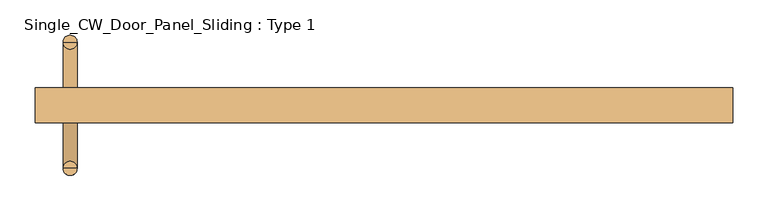
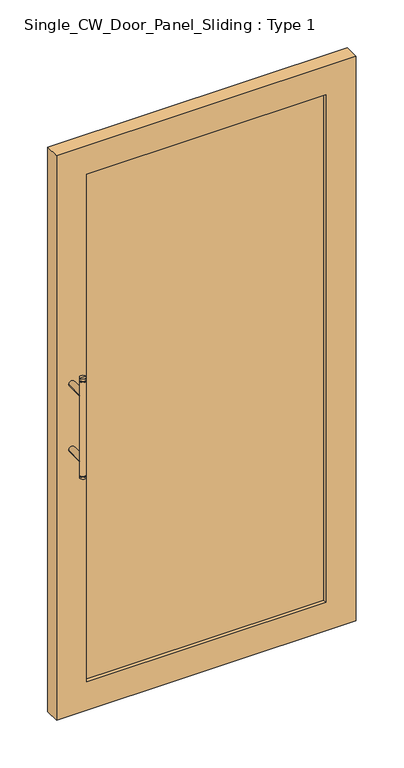
"""IFC4 building model written with IfcOpenShell, lengths in millimetres: door geometry, Single_CW_Door_Panel_Sliding : Type 1."""

from ifc_helpers import new_model, si_unit, point, frame, frame_2d, origin, place, context, project, spatial, polyline, circle_curve, trimmed, segment, composite_curve, outline, extrude, source, transform, mapped, element, save
from ifc_brep_helpers import plane_surface, cylinder_surface, advanced_brep


def single_cw_door_panel_sliding_type_1_7dd6cb1d(model_context):
    return source(origin(), model_context, "Body", "SolidModel", [
        advanced_brep(
        [(-437.5, 20.0, 1219.0), (-457.5, 20.0, 1219.0), (-457.5, 20.0, 1225.0), (-437.5, 20.0, 1225.0), (-455.5323501, 20.0, 1214.7650043), (-439.4676499, 20.0, 1214.7650043), (-439.4676499, 20.0, 1219.0), (-455.5323501, 20.0, 1219.0), (-437.5, 20.0, 1214.7650043), (-457.5, 20.0, 1214.7650043), (-437.5, 20.0, 885.2349957), (-457.5, 20.0, 885.2349957), (-439.4676499, 20.0, 885.2349957), (-455.5323501, 20.0, 885.2349957), (-439.4676499, 20.0, 881.0), (-455.5323501, 20.0, 881.0), (-437.5, 20.0, 881.0), (-457.5, 20.0, 881.0), (-437.5, 20.0, 875.0), (-457.5, 20.0, 875.0), (-447.5, 20.0, 875.0), (-447.5, 20.0, 1225.0)],
        [
            (0, 1, circle_curve(frame((-447.5, 20.0, 1219.0), z_axis=(0.0, 0.0, 1.0), x_axis=(-1.0, 0.0, 0.0)), 10.0)),
            (1, 2),
            (2, 3, circle_curve(frame((-447.5, 20.0, 1225.0), z_axis=(0.0, 0.0, -1.0), x_axis=(-1.0, 0.0, 0.0)), 10.0)),
            (3, 0),
            (4, 5, circle_curve(frame((-447.5, 20.0, 1214.7650043), z_axis=(0.0, 0.0, 1.0), x_axis=(-1.0, 0.0, 0.0)), 8.0323501)),
            (5, 6),
            (6, 7, circle_curve(frame((-447.5, 20.0, 1219.0), z_axis=(0.0, 0.0, -1.0), x_axis=(-1.0, 0.0, 0.0)), 8.0323501)),
            (7, 4),
            (1, 0, circle_curve(frame((-447.5, 20.0, 1219.0), z_axis=(0.0, 0.0, 1.0), x_axis=(-1.0, 0.0, 0.0)), 10.0)),
            (3, 2, circle_curve(frame((-447.5, 20.0, 1225.0), z_axis=(0.0, 0.0, -1.0), x_axis=(-1.0, 0.0, 0.0)), 10.0)),
            (6, 7, circle_curve(frame((-447.5, 20.0, 1219.0), z_axis=(0.0, 0.0, 1.0), x_axis=(-1.0, 0.0, 0.0)), 8.0323501)),
            (7, 1),
            (0, 6),
            (5, 4, circle_curve(frame((-447.5, 20.0, 1214.7650043), z_axis=(0.0, 0.0, 1.0), x_axis=(-1.0, 0.0, 0.0)), 8.0323501)),
            (8, 9, circle_curve(frame((-447.5, 20.0, 1214.7650043), z_axis=(0.0, 0.0, 1.0), x_axis=(-1.0, 0.0, 0.0)), 10.0)),
            (9, 4),
            (5, 8),
            (9, 8, circle_curve(frame((-447.5, 20.0, 1214.7650043), z_axis=(0.0, 0.0, 1.0), x_axis=(-1.0, 0.0, 0.0)), 10.0)),
            (10, 11, circle_curve(frame((-447.5, 20.0, 885.2349957), z_axis=(0.0, 0.0, 1.0), x_axis=(-1.0, 0.0, 0.0)), 10.0)),
            (11, 9),
            (8, 10),
            (11, 10, circle_curve(frame((-447.5, 20.0, 885.2349957), z_axis=(0.0, 0.0, 1.0), x_axis=(-1.0, 0.0, 0.0)), 10.0)),
            (12, 13, circle_curve(frame((-447.5, 20.0, 885.2349957), z_axis=(0.0, 0.0, 1.0), x_axis=(-1.0, 0.0, 0.0)), 8.0323501)),
            (13, 11),
            (10, 12),
            (13, 12, circle_curve(frame((-447.5, 20.0, 885.2349957), z_axis=(0.0, 0.0, 1.0), x_axis=(-1.0, 0.0, 0.0)), 8.0323501)),
            (14, 15, circle_curve(frame((-447.5, 20.0, 881.0), z_axis=(0.0, 0.0, 1.0), x_axis=(-1.0, 0.0, 0.0)), 8.0323501)),
            (15, 13),
            (12, 14),
            (15, 14, circle_curve(frame((-447.5, 20.0, 881.0), z_axis=(0.0, 0.0, 1.0), x_axis=(-1.0, 0.0, 0.0)), 8.0323501)),
            (16, 17, circle_curve(frame((-447.5, 20.0, 881.0), z_axis=(0.0, 0.0, 1.0), x_axis=(-1.0, 0.0, 0.0)), 10.0)),
            (17, 15),
            (14, 16),
            (17, 16, circle_curve(frame((-447.5, 20.0, 881.0), z_axis=(0.0, 0.0, 1.0), x_axis=(-1.0, 0.0, 0.0)), 10.0)),
            (18, 19, circle_curve(frame((-447.5, 20.0, 875.0), z_axis=(0.0, 0.0, 1.0), x_axis=(-1.0, 0.0, 0.0)), 10.0)),
            (19, 17),
            (16, 18),
            (19, 18, circle_curve(frame((-447.5, 20.0, 875.0), z_axis=(0.0, 0.0, 1.0), x_axis=(-1.0, 0.0, 0.0)), 10.0)),
            (20, 19),
            (18, 20),
            (2, 21),
            (21, 3),
        ],
        [
            cylinder_surface(frame((-447.5, 20.0, 850.0), z_axis=(0.0, 0.0, -1.0), x_axis=(-1.0, 0.0, 0.0)), 10.0),
            cylinder_surface(frame((-447.5, 20.0, 850.0), z_axis=(0.0, 0.0, -1.0), x_axis=(-1.0, 0.0, 0.0)), 8.0323501),
            plane_surface(frame((-447.5, 20.0, 1219.0), z_axis=(0.0, 0.0, -1.0), x_axis=(-1.0, 0.0, 0.0))),
            plane_surface(frame((-447.5, 20.0, 1214.7650043), z_axis=(0.0, 0.0, 1.0), x_axis=(-1.0, 0.0, 0.0))),
            plane_surface(frame((-447.5, 20.0, 885.2349957), z_axis=(0.0, 0.0, -1.0), x_axis=(-1.0, 0.0, 0.0))),
            plane_surface(frame((-447.5, 20.0, 881.0), z_axis=(0.0, 0.0, 1.0), x_axis=(-1.0, 0.0, 0.0))),
            plane_surface(frame((-447.5, 20.0, 875.0), z_axis=(0.0, 0.0, -1.0), x_axis=(-1.0, 0.0, 0.0))),
            plane_surface(frame((-447.5, 20.0, 1225.0), z_axis=(0.0, 0.0, 1.0), x_axis=(-1.0, 0.0, 0.0))),
        ],
        [
            (0, [[1, 2, 3, 4]]),
            (1, [[5, 6, 7, 8]]),
            (0, [[9, -4, 10, -2]]),
            (2, [[11, 12, -1, 13]]),
            (2, [[-7, -13, -9, -12]]),
            (1, [[14, -8, -11, -6]]),
            (3, [[15, 16, -14, 17]]),
            (3, [[18, -17, -5, -16]]),
            (0, [[19, 20, -15, 21]]),
            (0, [[22, -21, -18, -20]]),
            (4, [[23, 24, -19, 25]]),
            (4, [[26, -25, -22, -24]]),
            (1, [[27, 28, -23, 29]]),
            (1, [[30, -29, -26, -28]]),
            (5, [[31, 32, -27, 33]]),
            (5, [[34, -33, -30, -32]]),
            (0, [[35, 36, -31, 37]]),
            (0, [[38, -37, -34, -36]]),
            (6, [[39, -35, 40]]),
            (6, [[-40, -38, -39]]),
            (7, [[-3, 41, 42]]),
            (7, [[-10, -42, -41]]),
        ],
    ),
        extrude(outline(composite_curve([segment(trimmed(circle_curve(frame_2d((935.0, -447.5)), 10.0), [point((935.0, -457.5))], [point((935.0, -437.5))], False, "CARTESIAN"), True, "CONTINUOUS"), segment(trimmed(circle_curve(frame_2d((935.0, -447.5)), 10.0), [point((935.0, -437.5))], [point((935.0, -457.5))], False, "CARTESIAN"), True, "CONTINUOUS")], self_intersect=False)), frame((0.0, -45.0, 0.0), z_axis=(0.0, 1.0, 0.0), x_axis=(0.0, 0.0, 1.0)), (0.0, 0.0, 1.0), 65.0),
        extrude(outline(composite_curve([segment(trimmed(circle_curve(frame_2d((1165.0, -447.5)), 10.0), [point((1165.0, -457.5))], [point((1165.0, -437.5))], False, "CARTESIAN"), True, "CONTINUOUS"), segment(trimmed(circle_curve(frame_2d((1165.0, -447.5)), 10.0), [point((1165.0, -437.5))], [point((1165.0, -457.5))], False, "CARTESIAN"), True, "CONTINUOUS")], self_intersect=False)), frame((0.0, -45.0, 0.0), z_axis=(0.0, 1.0, 0.0), x_axis=(0.0, 0.0, 1.0)), (0.0, 0.0, 1.0), 65.0),
        extrude(outline(polyline([(397.5, -57.5), (397.5, -82.5), (-397.5, -82.5), (-397.5, -57.5), (397.5, -57.5)])), frame((0.0, 0.0, 100.0), z_axis=(0.0, 0.0, 1.0), x_axis=(1.0, 0.0, 0.0)), (0.0, 0.0, 1.0), 1781.754825),
        extrude(outline(polyline([(1981.754825, 497.5), (1981.754825, -497.5), (0.0, -497.5), (0.0, 497.5), (1981.754825, 497.5)]), holes=[polyline([(1881.754825, 397.5), (100.0, 397.5), (100.0, -397.5), (1881.754825, -397.5), (1881.754825, 397.5)])]), frame((0.0, -95.0, 0.0), z_axis=(0.0, 1.0, 0.0), x_axis=(0.0, 0.0, 1.0)), (0.0, 0.0, 1.0), 50.0),
        advanced_brep(
        [(-437.5, -160.0, 1219.0), (-437.5, -160.0, 1225.0), (-457.5, -160.0, 1225.0), (-457.5, -160.0, 1219.0), (-455.5323501, -160.0, 1214.7650043), (-455.5323501, -160.0, 1219.0), (-439.4676499, -160.0, 1219.0), (-439.4676499, -160.0, 1214.7650043), (-437.5, -160.0, 1214.7650043), (-457.5, -160.0, 1214.7650043), (-437.5, -160.0, 885.2349957), (-457.5, -160.0, 885.2349957), (-439.4676499, -160.0, 885.2349957), (-455.5323501, -160.0, 885.2349957), (-439.4676499, -160.0, 881.0), (-455.5323501, -160.0, 881.0), (-437.5, -160.0, 881.0), (-457.5, -160.0, 881.0), (-437.5, -160.0, 875.0), (-457.5, -160.0, 875.0), (-447.5, -160.0, 875.0), (-447.5, -160.0, 1225.0)],
        [
            (0, 1),
            (1, 2, circle_curve(frame((-447.5, -160.0, 1225.0), z_axis=(0.0, 0.0, -1.0), x_axis=(-1.0, 0.0, 0.0)), 10.0)),
            (2, 3),
            (3, 0, circle_curve(frame((-447.5, -160.0, 1219.0), z_axis=(0.0, 0.0, 1.0), x_axis=(-1.0, 0.0, 0.0)), 10.0)),
            (4, 5),
            (5, 6, circle_curve(frame((-447.5, -160.0, 1219.0), z_axis=(0.0, 0.0, -1.0), x_axis=(-1.0, 0.0, 0.0)), 8.0323501)),
            (6, 7),
            (7, 4, circle_curve(frame((-447.5, -160.0, 1214.7650043), z_axis=(0.0, 0.0, 1.0), x_axis=(-1.0, 0.0, 0.0)), 8.0323501)),
            (2, 1, circle_curve(frame((-447.5, -160.0, 1225.0), z_axis=(0.0, 0.0, -1.0), x_axis=(-1.0, 0.0, 0.0)), 10.0)),
            (0, 3, circle_curve(frame((-447.5, -160.0, 1219.0), z_axis=(0.0, 0.0, 1.0), x_axis=(-1.0, 0.0, 0.0)), 10.0)),
            (6, 0),
            (3, 5),
            (5, 6, circle_curve(frame((-447.5, -160.0, 1219.0), z_axis=(0.0, 0.0, 1.0), x_axis=(-1.0, 0.0, 0.0)), 8.0323501)),
            (4, 7, circle_curve(frame((-447.5, -160.0, 1214.7650043), z_axis=(0.0, 0.0, 1.0), x_axis=(-1.0, 0.0, 0.0)), 8.0323501)),
            (8, 7),
            (4, 9),
            (9, 8, circle_curve(frame((-447.5, -160.0, 1214.7650043), z_axis=(0.0, 0.0, 1.0), x_axis=(-1.0, 0.0, 0.0)), 10.0)),
            (8, 9, circle_curve(frame((-447.5, -160.0, 1214.7650043), z_axis=(0.0, 0.0, 1.0), x_axis=(-1.0, 0.0, 0.0)), 10.0)),
            (10, 8),
            (9, 11),
            (11, 10, circle_curve(frame((-447.5, -160.0, 885.2349957), z_axis=(0.0, 0.0, 1.0), x_axis=(-1.0, 0.0, 0.0)), 10.0)),
            (10, 11, circle_curve(frame((-447.5, -160.0, 885.2349957), z_axis=(0.0, 0.0, 1.0), x_axis=(-1.0, 0.0, 0.0)), 10.0)),
            (12, 10),
            (11, 13),
            (13, 12, circle_curve(frame((-447.5, -160.0, 885.2349957), z_axis=(0.0, 0.0, 1.0), x_axis=(-1.0, 0.0, 0.0)), 8.0323501)),
            (12, 13, circle_curve(frame((-447.5, -160.0, 885.2349957), z_axis=(0.0, 0.0, 1.0), x_axis=(-1.0, 0.0, 0.0)), 8.0323501)),
            (14, 12),
            (13, 15),
            (15, 14, circle_curve(frame((-447.5, -160.0, 881.0), z_axis=(0.0, 0.0, 1.0), x_axis=(-1.0, 0.0, 0.0)), 8.0323501)),
            (14, 15, circle_curve(frame((-447.5, -160.0, 881.0), z_axis=(0.0, 0.0, 1.0), x_axis=(-1.0, 0.0, 0.0)), 8.0323501)),
            (16, 14),
            (15, 17),
            (17, 16, circle_curve(frame((-447.5, -160.0, 881.0), z_axis=(0.0, 0.0, 1.0), x_axis=(-1.0, 0.0, 0.0)), 10.0)),
            (16, 17, circle_curve(frame((-447.5, -160.0, 881.0), z_axis=(0.0, 0.0, 1.0), x_axis=(-1.0, 0.0, 0.0)), 10.0)),
            (18, 16),
            (17, 19),
            (19, 18, circle_curve(frame((-447.5, -160.0, 875.0), z_axis=(0.0, 0.0, 1.0), x_axis=(-1.0, 0.0, 0.0)), 10.0)),
            (18, 19, circle_curve(frame((-447.5, -160.0, 875.0), z_axis=(0.0, 0.0, 1.0), x_axis=(-1.0, 0.0, 0.0)), 10.0)),
            (20, 18),
            (19, 20),
            (1, 21),
            (21, 2),
        ],
        [
            cylinder_surface(frame((-447.5, -160.0, 850.0), z_axis=(0.0, 0.0, -1.0), x_axis=(-1.0, 0.0, 0.0)), 10.0),
            cylinder_surface(frame((-447.5, -160.0, 850.0), z_axis=(0.0, 0.0, -1.0), x_axis=(-1.0, 0.0, 0.0)), 8.0323501),
            plane_surface(frame((-447.5, -160.0, 1219.0), z_axis=(0.0, 0.0, -1.0), x_axis=(-1.0, 0.0, 0.0))),
            plane_surface(frame((-447.5, -160.0, 1214.7650043), z_axis=(0.0, 0.0, 1.0), x_axis=(-1.0, 0.0, 0.0))),
            plane_surface(frame((-447.5, -160.0, 885.2349957), z_axis=(0.0, 0.0, -1.0), x_axis=(-1.0, 0.0, 0.0))),
            plane_surface(frame((-447.5, -160.0, 881.0), z_axis=(0.0, 0.0, 1.0), x_axis=(-1.0, 0.0, 0.0))),
            plane_surface(frame((-447.5, -160.0, 875.0), z_axis=(0.0, 0.0, -1.0), x_axis=(-1.0, 0.0, 0.0))),
            plane_surface(frame((-447.5, -160.0, 1225.0), z_axis=(0.0, 0.0, 1.0), x_axis=(-1.0, 0.0, 0.0))),
        ],
        [
            (0, [[1, 2, 3, 4]]),
            (1, [[5, 6, 7, 8]]),
            (0, [[-3, 9, -1, 10]]),
            (2, [[11, -4, 12, 13]]),
            (2, [[-12, -10, -11, -6]]),
            (1, [[-7, -13, -5, 14]]),
            (3, [[15, -14, 16, 17]]),
            (3, [[-16, -8, -15, 18]]),
            (0, [[19, -17, 20, 21]]),
            (0, [[-20, -18, -19, 22]]),
            (4, [[23, -21, 24, 25]]),
            (4, [[-24, -22, -23, 26]]),
            (1, [[27, -25, 28, 29]]),
            (1, [[-28, -26, -27, 30]]),
            (5, [[31, -29, 32, 33]]),
            (5, [[-32, -30, -31, 34]]),
            (0, [[35, -33, 36, 37]]),
            (0, [[-36, -34, -35, 38]]),
            (6, [[39, -37, 40]]),
            (6, [[-40, -38, -39]]),
            (7, [[41, 42, -2]]),
            (7, [[-42, -41, -9]]),
        ],
    ),
        extrude(outline(composite_curve([segment(trimmed(circle_curve(frame_2d((1165.0, -447.5)), 10.0), [point((1165.0, -457.5))], [point((1165.0, -437.5))], False, "CARTESIAN"), True, "CONTINUOUS"), segment(trimmed(circle_curve(frame_2d((1165.0, -447.5)), 10.0), [point((1165.0, -437.5))], [point((1165.0, -457.5))], False, "CARTESIAN"), True, "CONTINUOUS")], self_intersect=False)), frame((0.0, -160.0, 0.0), z_axis=(0.0, 1.0, 0.0), x_axis=(0.0, 0.0, 1.0)), (0.0, 0.0, 1.0), 65.0),
        extrude(outline(composite_curve([segment(trimmed(circle_curve(frame_2d((935.0, -447.5)), 10.0), [point((935.0, -457.5))], [point((935.0, -437.5))], False, "CARTESIAN"), True, "CONTINUOUS"), segment(trimmed(circle_curve(frame_2d((935.0, -447.5)), 10.0), [point((935.0, -437.5))], [point((935.0, -457.5))], False, "CARTESIAN"), True, "CONTINUOUS")], self_intersect=False)), frame((0.0, -160.0, 0.0), z_axis=(0.0, 1.0, 0.0), x_axis=(0.0, 0.0, 1.0)), (0.0, 0.0, 1.0), 65.0),
    ])


if __name__ == "__main__":
    model = new_model("IFC4")
    model_context = context("Model", 3, world=origin())
    ifc_project = project(units=[si_unit("LENGTHUNIT", "METRE", prefix="MILLI")], contexts=[model_context])
    site = spatial("IfcSite", under=ifc_project)
    building = spatial("IfcBuilding", under=site)
    placement = place(None, origin())
    single_cw_door_panel_sliding_type_1_shape = single_cw_door_panel_sliding_type_1_7dd6cb1d(model_context)
    element("IfcDoor", 1, ObjectType="Single_CW_Door_Panel_Sliding : Type 1", at=placement, inside=building, context=model_context, shape_type="MappedRepresentation", body=[
        mapped(single_cw_door_panel_sliding_type_1_shape, transform((0.0, 0.0, 0.0), x_axis=(1.0, 0.0, 0.0), y_axis=(0.0, 1.0, 0.0), z_axis=(0.0, 0.0, 1.0))),
    ])
    save(model, "model.ifc")
